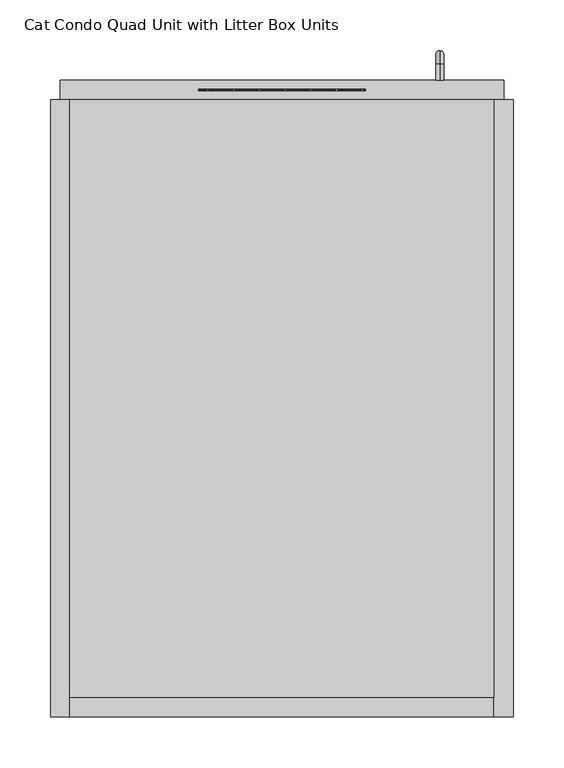
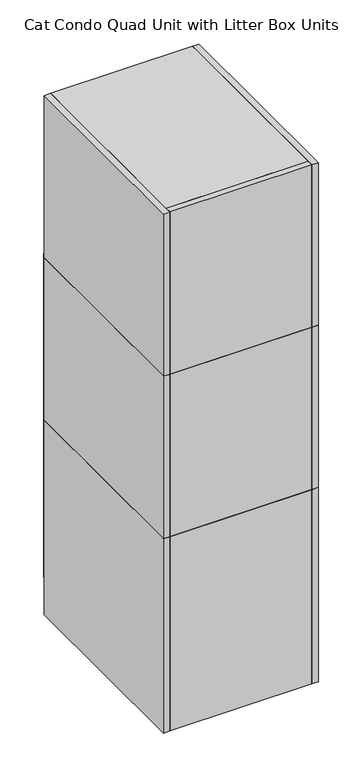
"""IFC4 building model written with IfcOpenShell, lengths in millimetres: proxy geometry, Cat Condo Quad Unit with Litter Box Units."""

from ifc_helpers import new_model, si_unit, point, frame, frame_2d, origin, origin_with_axes, place, context, project, spatial, polyline, circle_curve, ellipse_curve, trimmed, segment, composite_curve, outline, extrude, source, transform, mapped, element, save
from ifc_brep_helpers import plane_surface, cylinder_surface, revolved_surface, advanced_brep


def cat_condo_quad_unit_with_litter_box_units_7ac89161(model_context):
    return source(origin(), model_context, "Body", "SolidModel", [
        advanced_brep(
        [(994.1819084, 19.05, 551.6993154), (994.1819084, 19.05, 559.5506846), (994.1819084, 35.2117768, 559.5506846), (994.1819084, 35.2117768, 551.6993154), (994.1819084, 48.3756846, 546.3867768), (994.1819084, 40.5243154, 546.3867768), (994.1819084, 48.3756846, 463.2632232), (994.1819084, 40.5243154, 463.2632232), (994.1819084, 35.2117768, 450.0993154), (994.1819084, 35.2117768, 457.9506846), (994.1819084, 19.05, 457.9506846), (994.1819084, 19.05, 450.0993154)],
        [
            (0, 1, circle_curve(frame((994.1819084, 19.05, 555.625), z_axis=(0.0, -1.0, 0.0), x_axis=(0.0, 0.0, 1.0)), 3.9256846)),
            (1, 0, circle_curve(frame((994.1819084, 19.05, 555.625), z_axis=(0.0, -1.0, 0.0), x_axis=(0.0, 0.0, 1.0)), 3.9256846)),
            (1, 2),
            (2, 3, circle_curve(frame((994.1819084, 35.2117768, 555.625), z_axis=(0.0, -1.0, 0.0), x_axis=(0.0, 0.0, 1.0)), 3.9256846)),
            (3, 0),
            (3, 2, circle_curve(frame((994.1819084, 35.2117768, 555.625), z_axis=(0.0, -1.0, 0.0), x_axis=(0.0, 0.0, 1.0)), 3.9256846)),
            (4, 5, circle_curve(frame((994.1819084, 44.45, 546.3867768), z_axis=(0.0, 0.0, 1.0), x_axis=(0.0, 1.0000000000000002, 0.0)), 3.9256846)),
            (5, 3, circle_curve(frame((994.1819084, 35.2117768, 546.3867768), z_axis=(1.0, 0.0, 0.0), x_axis=(0.0, 0.0, 1.0)), 5.3125387)),
            (2, 4, circle_curve(frame((994.1819084, 35.2117768, 546.3867768), z_axis=(-1.0, 0.0, 0.0), x_axis=(0.0, 0.0, 1.0)), 13.1639078)),
            (5, 4, circle_curve(frame((994.1819084, 44.45, 546.3867768), z_axis=(0.0, 0.0, 1.0), x_axis=(0.0, 1.0000000000000002, 0.0)), 3.9256846)),
            (4, 6),
            (6, 7, circle_curve(frame((994.1819084, 44.45, 463.2632232), z_axis=(0.0, 0.0, 1.0), x_axis=(0.0, 1.0000000000000002, 0.0)), 3.9256846)),
            (7, 5),
            (7, 6, circle_curve(frame((994.1819084, 44.45, 463.2632232), z_axis=(0.0, 0.0, 1.0), x_axis=(0.0, 1.0000000000000002, 0.0)), 3.9256846)),
            (8, 9, circle_curve(frame((994.1819084, 35.2117768, 454.025), z_axis=(0.0, 1.0000000000000002, 0.0), x_axis=(0.0, 0.0, -1.0)), 3.9256846)),
            (9, 7, circle_curve(frame((994.1819084, 35.2117768, 463.2632232), z_axis=(1.0, 0.0, 0.0), x_axis=(0.0, 1.0000000000000002, 0.0)), 5.3125387)),
            (6, 8, circle_curve(frame((994.1819084, 35.2117768, 463.2632232), z_axis=(-1.0, 0.0, 0.0), x_axis=(0.0, 1.0000000000000002, 0.0)), 13.1639078)),
            (9, 8, circle_curve(frame((994.1819084, 35.2117768, 454.025), z_axis=(0.0, 1.0000000000000002, 0.0), x_axis=(0.0, 0.0, -1.0)), 3.9256846)),
            (10, 11, circle_curve(frame((994.1819084, 19.05, 454.025), z_axis=(0.0, -1.0, 0.0), x_axis=(0.0, 0.0, -1.0)), 3.9256846)),
            (11, 10, circle_curve(frame((994.1819084, 19.05, 454.025), z_axis=(0.0, -1.0, 0.0), x_axis=(0.0, 0.0, -1.0)), 3.9256846)),
            (8, 11),
            (10, 9),
        ],
        [
            plane_surface(frame((994.1819084, 19.05, 555.625), z_axis=(0.0, -1.0, 0.0), x_axis=(1.0, 0.0, 0.0))),
            cylinder_surface(frame((994.1819084, 19.05, 555.625), z_axis=(0.0, -1.0000000000000002, 0.0), x_axis=(0.0, 0.0, 1.0)), 3.9256846),
            revolved_surface(trimmed(ellipse_curve(frame((994.1819084, 35.2117768, 555.625), z_axis=(0.0, 1.0000000000000002, 0.0), x_axis=(0.0, 0.0, 1.0)), 3.9256846, 3.9256846), [point((994.1819084, 35.2117768, 551.6993154))], [point((994.1819084, 35.2117768, 559.5506846))], True, "CARTESIAN"), (994.1819084, 35.2117768, 546.3867768), (1.0000000000000002, 0.0, 0.0)),
            revolved_surface(trimmed(ellipse_curve(frame((994.1819084, 35.2117768, 555.625), z_axis=(0.0, 1.0000000000000002, 0.0), x_axis=(0.0, 0.0, 1.0)), 3.9256846, 3.9256846), [point((994.1819084, 35.2117768, 559.5506846))], [point((994.1819084, 35.2117768, 551.6993154))], True, "CARTESIAN"), (994.1819084, 35.2117768, 546.3867768), (1.0000000000000002, 0.0, 0.0)),
            cylinder_surface(frame((994.1819084, 44.45, 546.3867768), z_axis=(0.0, 0.0, 1.0), x_axis=(0.0, 1.0000000000000002, 0.0)), 3.9256846),
            revolved_surface(trimmed(ellipse_curve(frame((994.1819084, 44.45, 463.2632232), z_axis=(0.0, 0.0, -1.0), x_axis=(0.0, 1.0000000000000002, 0.0)), 3.9256846, 3.9256846), [point((994.1819084, 40.5243154, 463.2632232))], [point((994.1819084, 48.3756846, 463.2632232))], True, "CARTESIAN"), (994.1819084, 35.2117768, 463.2632232), (1.0000000000000002, 0.0, 0.0)),
            revolved_surface(trimmed(ellipse_curve(frame((994.1819084, 44.45, 463.2632232), z_axis=(0.0, 0.0, -1.0), x_axis=(0.0, 1.0000000000000002, 0.0)), 3.9256846, 3.9256846), [point((994.1819084, 48.3756846, 463.2632232))], [point((994.1819084, 40.5243154, 463.2632232))], True, "CARTESIAN"), (994.1819084, 35.2117768, 463.2632232), (1.0000000000000002, 0.0, 0.0)),
            plane_surface(frame((994.1819084, 19.05, 454.025), z_axis=(0.0, -1.0, 0.0), x_axis=(1.0, 0.0, 0.0))),
            cylinder_surface(frame((994.1819084, 35.2117768, 454.025), z_axis=(0.0, 1.0000000000000002, 0.0), x_axis=(0.0, 0.0, -1.0)), 3.9256846),
        ],
        [
            (0, [[1, 2]]),
            (1, [[3, 4, 5, -2]]),
            (1, [[-5, 6, -3, -1]]),
            (2, [[7, 8, -4, 9]]),
            (3, [[10, -9, -6, -8]]),
            (4, [[11, 12, 13, -7]]),
            (4, [[-13, 14, -11, -10]]),
            (5, [[15, 16, -12, 17]]),
            (6, [[18, -17, -14, -16]]),
            (7, [[19, 20]]),
            (8, [[21, -19, 22, -15]]),
            (8, [[-22, -20, -21, -18]]),
        ],
    ),
        extrude(outline(polyline([(1047.75, -590.55), (628.65, -590.55), (628.65, 0.0), (1047.75, 0.0), (1047.75, -590.55)])), frame((0.0, 0.0, 587.375), z_axis=(0.0, 0.0, 1.0), x_axis=(1.0, 0.0, 0.0)), (0.0, 0.0, 1.0), 19.05),
        extrude(outline(polyline([(1047.75, 0.0), (1047.75, -590.55), (628.65, -590.55), (628.65, 0.0), (1047.75, 0.0)])), frame((0.0, 0.0, 101.6), z_axis=(0.0, 0.0, 1.0), x_axis=(1.0, 0.0, 0.0)), (0.0, 0.0, 1.0), 19.05),
        extrude(outline(polyline([(1047.75, -19.05), (628.65, -19.05), (628.65, 0.0), (1047.75, 0.0), (1047.75, -19.05)])), origin_with_axes(), (0.0, 0.0, 1.0), 101.6),
        extrude(outline(polyline([(1047.75, -609.6), (1047.75, 0.0), (1066.8, 0.0), (1066.8, -609.6), (1047.75, -609.6)])), origin_with_axes(), (0.0, 0.0, 1.0), 606.425),
        extrude(outline(polyline([(1047.75, -609.6), (628.65, -609.6), (628.65, -590.55), (1047.75, -590.55), (1047.75, -609.6)])), origin_with_axes(), (0.0, 0.0, 1.0), 606.425),
        extrude(outline(polyline([(628.65, -609.6), (609.6, -609.6), (609.6, 0.0), (628.65, 0.0), (628.65, -609.6)])), origin_with_axes(), (0.0, 0.0, 1.0), 606.425),
        extrude(outline(composite_curve([segment(trimmed(circle_curve(frame_2d((9.6602248, 423.8625)), 0.79375), [point((9.6602248, 424.65625))], [point((9.6602248, 423.06875))], False, "CARTESIAN"), True, "CONTINUOUS"), segment(trimmed(circle_curve(frame_2d((9.6602248, 423.8625)), 0.79375), [point((9.6602248, 423.06875))], [point((9.6602248, 424.65625))], False, "CARTESIAN"), True, "CONTINUOUS")], self_intersect=False)), frame((755.65, 0.0, 0.0), z_axis=(1.0, 0.0, 0.0), x_axis=(0.0, 1.0, 0.0)), (0.0, 0.0, 1.0), 165.1),
        extrude(outline(composite_curve([segment(trimmed(circle_curve(frame_2d((9.6602248, 322.2625)), 0.79375), [point((9.6602248, 323.05625))], [point((9.6602248, 321.46875))], False, "CARTESIAN"), True, "CONTINUOUS"), segment(trimmed(circle_curve(frame_2d((9.6602248, 322.2625)), 0.79375), [point((9.6602248, 321.46875))], [point((9.6602248, 323.05625))], False, "CARTESIAN"), True, "CONTINUOUS")], self_intersect=False)), frame((755.65, 0.0, 0.0), z_axis=(1.0, 0.0, 0.0), x_axis=(0.0, 1.0, 0.0)), (0.0, 0.0, 1.0), 165.1),
        extrude(outline(composite_curve([segment(trimmed(circle_curve(frame_2d((917.4919665, 9.6602248)), 0.79375), [point((916.6982165, 9.6602248))], [point((918.2857165, 9.6602248))], False, "CARTESIAN"), True, "CONTINUOUS"), segment(trimmed(circle_curve(frame_2d((917.4919665, 9.6602248)), 0.79375), [point((918.2857165, 9.6602248))], [point((916.6982165, 9.6602248))], False, "CARTESIAN"), True, "CONTINUOUS")], self_intersect=False)), frame((0.0, 0.0, 231.775), z_axis=(0.0, 0.0, 1.0), x_axis=(1.0, 0.0, 0.0)), (0.0, 0.0, 1.0), 298.45),
        extrude(outline(composite_curve([segment(trimmed(circle_curve(frame_2d((892.0919665, 9.6602248)), 0.79375), [point((891.2982165, 9.6602248))], [point((892.8857165, 9.6602248))], False, "CARTESIAN"), True, "CONTINUOUS"), segment(trimmed(circle_curve(frame_2d((892.0919665, 9.6602248)), 0.79375), [point((892.8857165, 9.6602248))], [point((891.2982165, 9.6602248))], False, "CARTESIAN"), True, "CONTINUOUS")], self_intersect=False)), frame((0.0, 0.0, 231.775), z_axis=(0.0, 0.0, 1.0), x_axis=(1.0, 0.0, 0.0)), (0.0, 0.0, 1.0), 298.45),
        extrude(outline(composite_curve([segment(trimmed(circle_curve(frame_2d((866.6919665, 9.6602248)), 0.79375), [point((865.8982165, 9.6602248))], [point((867.4857165, 9.6602248))], False, "CARTESIAN"), True, "CONTINUOUS"), segment(trimmed(circle_curve(frame_2d((866.6919665, 9.6602248)), 0.79375), [point((867.4857165, 9.6602248))], [point((865.8982165, 9.6602248))], False, "CARTESIAN"), True, "CONTINUOUS")], self_intersect=False)), frame((0.0, 0.0, 231.775), z_axis=(0.0, 0.0, 1.0), x_axis=(1.0, 0.0, 0.0)), (0.0, 0.0, 1.0), 298.45),
        extrude(outline(composite_curve([segment(trimmed(circle_curve(frame_2d((841.2919665, 9.6602248)), 0.79375), [point((840.4982165, 9.6602248))], [point((842.0857165, 9.6602248))], False, "CARTESIAN"), True, "CONTINUOUS"), segment(trimmed(circle_curve(frame_2d((841.2919665, 9.6602248)), 0.79375), [point((842.0857165, 9.6602248))], [point((840.4982165, 9.6602248))], False, "CARTESIAN"), True, "CONTINUOUS")], self_intersect=False)), frame((0.0, 0.0, 231.775), z_axis=(0.0, 0.0, 1.0), x_axis=(1.0, 0.0, 0.0)), (0.0, 0.0, 1.0), 298.45),
        extrude(outline(composite_curve([segment(trimmed(circle_curve(frame_2d((815.8919665, 9.6602248)), 0.79375), [point((815.0982165, 9.6602248))], [point((816.6857165, 9.6602248))], False, "CARTESIAN"), True, "CONTINUOUS"), segment(trimmed(circle_curve(frame_2d((815.8919665, 9.6602248)), 0.79375), [point((816.6857165, 9.6602248))], [point((815.0982165, 9.6602248))], False, "CARTESIAN"), True, "CONTINUOUS")], self_intersect=False)), frame((0.0, 0.0, 231.775), z_axis=(0.0, 0.0, 1.0), x_axis=(1.0, 0.0, 0.0)), (0.0, 0.0, 1.0), 298.45),
        extrude(outline(composite_curve([segment(trimmed(circle_curve(frame_2d((790.4919665, 9.6602248)), 0.79375), [point((789.6982165, 9.6602248))], [point((791.2857165, 9.6602248))], False, "CARTESIAN"), True, "CONTINUOUS"), segment(trimmed(circle_curve(frame_2d((790.4919665, 9.6602248)), 0.79375), [point((791.2857165, 9.6602248))], [point((789.6982165, 9.6602248))], False, "CARTESIAN"), True, "CONTINUOUS")], self_intersect=False)), frame((0.0, 0.0, 231.775), z_axis=(0.0, 0.0, 1.0), x_axis=(1.0, 0.0, 0.0)), (0.0, 0.0, 1.0), 298.45),
        extrude(outline(composite_curve([segment(trimmed(circle_curve(frame_2d((765.0919665, 9.6602248)), 0.79375), [point((764.2982165, 9.6602248))], [point((765.8857165, 9.6602248))], False, "CARTESIAN"), True, "CONTINUOUS"), segment(trimmed(circle_curve(frame_2d((765.0919665, 9.6602248)), 0.79375), [point((765.8857165, 9.6602248))], [point((764.2982165, 9.6602248))], False, "CARTESIAN"), True, "CONTINUOUS")], self_intersect=False)), frame((0.0, 0.0, 231.775), z_axis=(0.0, 0.0, 1.0), x_axis=(1.0, 0.0, 0.0)), (0.0, 0.0, 1.0), 298.45),
        extrude(outline(composite_curve([segment(trimmed(circle_curve(frame_2d((892.0919665, 9.6602248)), 0.79375), [point((891.2982165, 9.6602248))], [point((892.8857165, 9.6602248))], False, "CARTESIAN"), True, "CONTINUOUS"), segment(trimmed(circle_curve(frame_2d((892.0919665, 9.6602248)), 0.79375), [point((892.8857165, 9.6602248))], [point((891.2982165, 9.6602248))], False, "CARTESIAN"), True, "CONTINUOUS")], self_intersect=False)), frame((0.0, 0.0, 231.775), z_axis=(0.0, 0.0, 1.0), x_axis=(1.0, 0.0, 0.0)), (0.0, 0.0, 1.0), 298.45),
        extrude(outline(composite_curve([segment(trimmed(circle_curve(frame_2d((866.6919665, 9.6602248)), 0.79375), [point((865.8982165, 9.6602248))], [point((867.4857165, 9.6602248))], False, "CARTESIAN"), True, "CONTINUOUS"), segment(trimmed(circle_curve(frame_2d((866.6919665, 9.6602248)), 0.79375), [point((867.4857165, 9.6602248))], [point((865.8982165, 9.6602248))], False, "CARTESIAN"), True, "CONTINUOUS")], self_intersect=False)), frame((0.0, 0.0, 231.775), z_axis=(0.0, 0.0, 1.0), x_axis=(1.0, 0.0, 0.0)), (0.0, 0.0, 1.0), 298.45),
        extrude(outline(composite_curve([segment(trimmed(circle_curve(frame_2d((841.2919665, 9.6602248)), 0.79375), [point((840.4982165, 9.6602248))], [point((842.0857165, 9.6602248))], False, "CARTESIAN"), True, "CONTINUOUS"), segment(trimmed(circle_curve(frame_2d((841.2919665, 9.6602248)), 0.79375), [point((842.0857165, 9.6602248))], [point((840.4982165, 9.6602248))], False, "CARTESIAN"), True, "CONTINUOUS")], self_intersect=False)), frame((0.0, 0.0, 231.775), z_axis=(0.0, 0.0, 1.0), x_axis=(1.0, 0.0, 0.0)), (0.0, 0.0, 1.0), 298.45),
        extrude(outline(composite_curve([segment(trimmed(circle_curve(frame_2d((815.8919665, 9.6602248)), 0.79375), [point((815.0982165, 9.6602248))], [point((816.6857165, 9.6602248))], False, "CARTESIAN"), True, "CONTINUOUS"), segment(trimmed(circle_curve(frame_2d((815.8919665, 9.6602248)), 0.79375), [point((816.6857165, 9.6602248))], [point((815.0982165, 9.6602248))], False, "CARTESIAN"), True, "CONTINUOUS")], self_intersect=False)), frame((0.0, 0.0, 231.775), z_axis=(0.0, 0.0, 1.0), x_axis=(1.0, 0.0, 0.0)), (0.0, 0.0, 1.0), 298.45),
        extrude(outline(composite_curve([segment(trimmed(circle_curve(frame_2d((790.4919665, 9.6602248)), 0.79375), [point((789.6982165, 9.6602248))], [point((791.2857165, 9.6602248))], False, "CARTESIAN"), True, "CONTINUOUS"), segment(trimmed(circle_curve(frame_2d((790.4919665, 9.6602248)), 0.79375), [point((791.2857165, 9.6602248))], [point((789.6982165, 9.6602248))], False, "CARTESIAN"), True, "CONTINUOUS")], self_intersect=False)), frame((0.0, 0.0, 231.775), z_axis=(0.0, 0.0, 1.0), x_axis=(1.0, 0.0, 0.0)), (0.0, 0.0, 1.0), 298.45),
        extrude(outline(composite_curve([segment(trimmed(circle_curve(frame_2d((765.0919665, 9.6602248)), 0.79375), [point((764.2982165, 9.6602248))], [point((765.8857165, 9.6602248))], False, "CARTESIAN"), True, "CONTINUOUS"), segment(trimmed(circle_curve(frame_2d((765.0919665, 9.6602248)), 0.79375), [point((765.8857165, 9.6602248))], [point((764.2982165, 9.6602248))], False, "CARTESIAN"), True, "CONTINUOUS")], self_intersect=False)), frame((0.0, 0.0, 231.775), z_axis=(0.0, 0.0, 1.0), x_axis=(1.0, 0.0, 0.0)), (0.0, 0.0, 1.0), 298.45),
        extrude(outline(polyline([(606.425, 619.125), (101.6, 619.125), (101.6, 1057.275), (606.425, 1057.275), (606.425, 619.125)]), holes=[composite_curve([segment(trimmed(circle_curve(frame_2d((501.65, 895.35)), 25.4), [point((527.05, 895.35))], [point((501.65, 920.75))], True, "CARTESIAN"), True, "CONTINUOUS"), segment(polyline([(501.65, 920.75), (257.175, 920.75)]), True, "CONTINUOUS"), segment(trimmed(circle_curve(frame_2d((257.175, 895.35)), 25.4), [point((257.175, 920.75))], [point((231.775, 895.35))], True, "CARTESIAN"), True, "CONTINUOUS"), segment(polyline([(231.775, 895.35), (231.775, 781.05)]), True, "CONTINUOUS"), segment(trimmed(circle_curve(frame_2d((257.175, 781.05)), 25.4), [point((231.775, 781.05))], [point((257.175, 755.65))], True, "CARTESIAN"), True, "CONTINUOUS"), segment(polyline([(257.175, 755.65), (501.65, 755.65)]), True, "CONTINUOUS"), segment(trimmed(circle_curve(frame_2d((501.65, 781.05)), 25.4), [point((501.65, 755.65))], [point((527.05, 781.05))], True, "CARTESIAN"), True, "CONTINUOUS"), segment(polyline([(527.05, 781.05), (527.05, 895.35)]), True, "CONTINUOUS")], self_intersect=False)]), frame((0.0, 0.0, 0.0), z_axis=(0.0, 1.0, 0.0), x_axis=(0.0, 0.0, 1.0)), (0.0, 0.0, 1.0), 19.05),
        advanced_brep(
        [(994.1819084, 19.05, 1056.5243154), (994.1819084, 19.05, 1064.3756846), (994.1819084, 35.2117768, 1064.3756846), (994.1819084, 35.2117768, 1056.5243154), (994.1819084, 48.3756846, 1051.2117768), (994.1819084, 40.5243154, 1051.2117768), (994.1819084, 48.3756846, 968.0882232), (994.1819084, 40.5243154, 968.0882232), (994.1819084, 35.2117768, 954.9243154), (994.1819084, 35.2117768, 962.7756846), (994.1819084, 19.05, 962.7756846), (994.1819084, 19.05, 954.9243154)],
        [
            (0, 1, circle_curve(frame((994.1819084, 19.05, 1060.45), z_axis=(0.0, -1.0, 0.0), x_axis=(0.0, 0.0, 1.0)), 3.9256846)),
            (1, 0, circle_curve(frame((994.1819084, 19.05, 1060.45), z_axis=(0.0, -1.0, 0.0), x_axis=(0.0, 0.0, 1.0)), 3.9256846)),
            (1, 2),
            (2, 3, circle_curve(frame((994.1819084, 35.2117768, 1060.45), z_axis=(0.0, -1.0, 0.0), x_axis=(0.0, 0.0, 1.0)), 3.9256846)),
            (3, 0),
            (3, 2, circle_curve(frame((994.1819084, 35.2117768, 1060.45), z_axis=(0.0, -1.0, 0.0), x_axis=(0.0, 0.0, 1.0)), 3.9256846)),
            (4, 5, circle_curve(frame((994.1819084, 44.45, 1051.2117768), z_axis=(0.0, 0.0, 1.0), x_axis=(0.0, 1.0000000000000002, 0.0)), 3.9256846)),
            (5, 3, circle_curve(frame((994.1819084, 35.2117768, 1051.2117768), z_axis=(1.0, 0.0, 0.0), x_axis=(0.0, 0.0, 1.0)), 5.3125387)),
            (2, 4, circle_curve(frame((994.1819084, 35.2117768, 1051.2117768), z_axis=(-1.0, 0.0, 0.0), x_axis=(0.0, 0.0, 1.0)), 13.1639078)),
            (5, 4, circle_curve(frame((994.1819084, 44.45, 1051.2117768), z_axis=(0.0, 0.0, 1.0), x_axis=(0.0, 1.0000000000000002, 0.0)), 3.9256846)),
            (4, 6),
            (6, 7, circle_curve(frame((994.1819084, 44.45, 968.0882232), z_axis=(0.0, 0.0, 1.0), x_axis=(0.0, 1.0000000000000002, 0.0)), 3.9256846)),
            (7, 5),
            (7, 6, circle_curve(frame((994.1819084, 44.45, 968.0882232), z_axis=(0.0, 0.0, 1.0), x_axis=(0.0, 1.0000000000000002, 0.0)), 3.9256846)),
            (8, 9, circle_curve(frame((994.1819084, 35.2117768, 958.85), z_axis=(0.0, 1.0000000000000002, 0.0), x_axis=(0.0, 0.0, -1.0)), 3.9256846)),
            (9, 7, circle_curve(frame((994.1819084, 35.2117768, 968.0882232), z_axis=(1.0, 0.0, 0.0), x_axis=(0.0, 1.0000000000000002, 0.0)), 5.3125387)),
            (6, 8, circle_curve(frame((994.1819084, 35.2117768, 968.0882232), z_axis=(-1.0, 0.0, 0.0), x_axis=(0.0, 1.0000000000000002, 0.0)), 13.1639078)),
            (9, 8, circle_curve(frame((994.1819084, 35.2117768, 958.85), z_axis=(0.0, 1.0000000000000002, 0.0), x_axis=(0.0, 0.0, -1.0)), 3.9256846)),
            (10, 11, circle_curve(frame((994.1819084, 19.05, 958.85), z_axis=(0.0, -1.0, 0.0), x_axis=(0.0, 0.0, -1.0)), 3.9256846)),
            (11, 10, circle_curve(frame((994.1819084, 19.05, 958.85), z_axis=(0.0, -1.0, 0.0), x_axis=(0.0, 0.0, -1.0)), 3.9256846)),
            (8, 11),
            (10, 9),
        ],
        [
            plane_surface(frame((994.1819084, 19.05, 1060.45), z_axis=(0.0, -1.0, 0.0), x_axis=(1.0, 0.0, 0.0))),
            cylinder_surface(frame((994.1819084, 19.05, 1060.45), z_axis=(0.0, -1.0000000000000002, 0.0), x_axis=(0.0, 0.0, 1.0)), 3.9256846),
            revolved_surface(trimmed(ellipse_curve(frame((994.1819084, 35.2117768, 1060.45), z_axis=(0.0, 1.0000000000000002, 0.0), x_axis=(0.0, 0.0, 1.0)), 3.9256846, 3.9256846), [point((994.1819084, 35.2117768, 1056.5243154))], [point((994.1819084, 35.2117768, 1064.3756846))], True, "CARTESIAN"), (994.1819084, 35.2117768, 1051.2117768), (1.0000000000000002, 0.0, 0.0)),
            revolved_surface(trimmed(ellipse_curve(frame((994.1819084, 35.2117768, 1060.45), z_axis=(0.0, 1.0000000000000002, 0.0), x_axis=(0.0, 0.0, 1.0)), 3.9256846, 3.9256846), [point((994.1819084, 35.2117768, 1064.3756846))], [point((994.1819084, 35.2117768, 1056.5243154))], True, "CARTESIAN"), (994.1819084, 35.2117768, 1051.2117768), (1.0000000000000002, 0.0, 0.0)),
            cylinder_surface(frame((994.1819084, 44.45, 1051.2117768), z_axis=(0.0, 0.0, 1.0), x_axis=(0.0, 1.0000000000000002, 0.0)), 3.9256846),
            revolved_surface(trimmed(ellipse_curve(frame((994.1819084, 44.45, 968.0882232), z_axis=(0.0, 0.0, -1.0), x_axis=(0.0, 1.0000000000000002, 0.0)), 3.9256846, 3.9256846), [point((994.1819084, 40.5243154, 968.0882232))], [point((994.1819084, 48.3756846, 968.0882232))], True, "CARTESIAN"), (994.1819084, 35.2117768, 968.0882232), (1.0000000000000002, 0.0, 0.0)),
            revolved_surface(trimmed(ellipse_curve(frame((994.1819084, 44.45, 968.0882232), z_axis=(0.0, 0.0, -1.0), x_axis=(0.0, 1.0000000000000002, 0.0)), 3.9256846, 3.9256846), [point((994.1819084, 48.3756846, 968.0882232))], [point((994.1819084, 40.5243154, 968.0882232))], True, "CARTESIAN"), (994.1819084, 35.2117768, 968.0882232), (1.0000000000000002, 0.0, 0.0)),
            plane_surface(frame((994.1819084, 19.05, 958.85), z_axis=(0.0, -1.0, 0.0), x_axis=(1.0, 0.0, 0.0))),
            cylinder_surface(frame((994.1819084, 35.2117768, 958.85), z_axis=(0.0, 1.0000000000000002, 0.0), x_axis=(0.0, 0.0, -1.0)), 3.9256846),
        ],
        [
            (0, [[1, 2]]),
            (1, [[3, 4, 5, -2]]),
            (1, [[-5, 6, -3, -1]]),
            (2, [[7, 8, -4, 9]]),
            (3, [[10, -9, -6, -8]]),
            (4, [[11, 12, 13, -7]]),
            (4, [[-13, 14, -11, -10]]),
            (5, [[15, 16, -12, 17]]),
            (6, [[18, -17, -14, -16]]),
            (7, [[19, 20]]),
            (8, [[21, -19, 22, -15]]),
            (8, [[-22, -20, -21, -18]]),
        ],
    ),
        extrude(outline(polyline([(1047.75, -590.55), (628.65, -590.55), (628.65, 0.0), (1047.75, 0.0), (1047.75, -590.55)])), frame((0.0, 0.0, 1093.7875), z_axis=(0.0, 0.0, 1.0), x_axis=(1.0, 0.0, 0.0)), (0.0, 0.0, 1.0), 19.05),
        extrude(outline(polyline([(1047.75, 0.0), (1047.75, -590.55), (628.65, -590.55), (628.65, 0.0), (1047.75, 0.0)])), frame((0.0, 0.0, 606.425), z_axis=(0.0, 0.0, 1.0), x_axis=(1.0, 0.0, 0.0)), (0.0, 0.0, 1.0), 19.05),
        extrude(outline(polyline([(1047.75, -609.6), (1047.75, 0.0), (1066.8, 0.0), (1066.8, -609.6), (1047.75, -609.6)])), frame((0.0, 0.0, 606.425), z_axis=(0.0, 0.0, 1.0), x_axis=(1.0, 0.0, 0.0)), (0.0, 0.0, 1.0), 506.4125),
        extrude(outline(polyline([(1047.75, -609.6), (628.65, -609.6), (628.65, -590.55), (1047.75, -590.55), (1047.75, -609.6)])), frame((0.0, 0.0, 606.425), z_axis=(0.0, 0.0, 1.0), x_axis=(1.0, 0.0, 0.0)), (0.0, 0.0, 1.0), 506.4125),
        extrude(outline(polyline([(628.65, -609.6), (609.6, -609.6), (609.6, 0.0), (628.65, 0.0), (628.65, -609.6)])), frame((0.0, 0.0, 606.425), z_axis=(0.0, 0.0, 1.0), x_axis=(1.0, 0.0, 0.0)), (0.0, 0.0, 1.0), 506.4125),
        extrude(outline(composite_curve([segment(trimmed(circle_curve(frame_2d((9.6602248, 930.275)), 0.79375), [point((9.6602248, 931.06875))], [point((9.6602248, 929.48125))], False, "CARTESIAN"), True, "CONTINUOUS"), segment(trimmed(circle_curve(frame_2d((9.6602248, 930.275)), 0.79375), [point((9.6602248, 929.48125))], [point((9.6602248, 931.06875))], False, "CARTESIAN"), True, "CONTINUOUS")], self_intersect=False)), frame((755.65, 0.0, 0.0), z_axis=(1.0, 0.0, 0.0), x_axis=(0.0, 1.0, 0.0)), (0.0, 0.0, 1.0), 165.1),
        extrude(outline(composite_curve([segment(trimmed(circle_curve(frame_2d((9.6602248, 827.0875)), 0.79375), [point((9.6602248, 827.88125))], [point((9.6602248, 826.29375))], False, "CARTESIAN"), True, "CONTINUOUS"), segment(trimmed(circle_curve(frame_2d((9.6602248, 827.0875)), 0.79375), [point((9.6602248, 826.29375))], [point((9.6602248, 827.88125))], False, "CARTESIAN"), True, "CONTINUOUS")], self_intersect=False)), frame((755.65, 0.0, 0.0), z_axis=(1.0, 0.0, 0.0), x_axis=(0.0, 1.0, 0.0)), (0.0, 0.0, 1.0), 165.1),
        extrude(outline(composite_curve([segment(trimmed(circle_curve(frame_2d((917.4919665, 9.6602248)), 0.79375), [point((916.6982165, 9.6602248))], [point((918.2857165, 9.6602248))], False, "CARTESIAN"), True, "CONTINUOUS"), segment(trimmed(circle_curve(frame_2d((917.4919665, 9.6602248)), 0.79375), [point((918.2857165, 9.6602248))], [point((916.6982165, 9.6602248))], False, "CARTESIAN"), True, "CONTINUOUS")], self_intersect=False)), frame((0.0, 0.0, 736.6), z_axis=(0.0, 0.0, 1.0), x_axis=(1.0, 0.0, 0.0)), (0.0, 0.0, 1.0), 298.45),
        extrude(outline(composite_curve([segment(trimmed(circle_curve(frame_2d((892.0919665, 9.6602248)), 0.79375), [point((891.2982165, 9.6602248))], [point((892.8857165, 9.6602248))], False, "CARTESIAN"), True, "CONTINUOUS"), segment(trimmed(circle_curve(frame_2d((892.0919665, 9.6602248)), 0.79375), [point((892.8857165, 9.6602248))], [point((891.2982165, 9.6602248))], False, "CARTESIAN"), True, "CONTINUOUS")], self_intersect=False)), frame((0.0, 0.0, 736.6), z_axis=(0.0, 0.0, 1.0), x_axis=(1.0, 0.0, 0.0)), (0.0, 0.0, 1.0), 298.45),
        extrude(outline(composite_curve([segment(trimmed(circle_curve(frame_2d((866.6919665, 9.6602248)), 0.79375), [point((865.8982165, 9.6602248))], [point((867.4857165, 9.6602248))], False, "CARTESIAN"), True, "CONTINUOUS"), segment(trimmed(circle_curve(frame_2d((866.6919665, 9.6602248)), 0.79375), [point((867.4857165, 9.6602248))], [point((865.8982165, 9.6602248))], False, "CARTESIAN"), True, "CONTINUOUS")], self_intersect=False)), frame((0.0, 0.0, 736.6), z_axis=(0.0, 0.0, 1.0), x_axis=(1.0, 0.0, 0.0)), (0.0, 0.0, 1.0), 298.45),
        extrude(outline(composite_curve([segment(trimmed(circle_curve(frame_2d((841.2919665, 9.6602248)), 0.79375), [point((840.4982165, 9.6602248))], [point((842.0857165, 9.6602248))], False, "CARTESIAN"), True, "CONTINUOUS"), segment(trimmed(circle_curve(frame_2d((841.2919665, 9.6602248)), 0.79375), [point((842.0857165, 9.6602248))], [point((840.4982165, 9.6602248))], False, "CARTESIAN"), True, "CONTINUOUS")], self_intersect=False)), frame((0.0, 0.0, 736.6), z_axis=(0.0, 0.0, 1.0), x_axis=(1.0, 0.0, 0.0)), (0.0, 0.0, 1.0), 298.45),
        extrude(outline(composite_curve([segment(trimmed(circle_curve(frame_2d((815.8919665, 9.6602248)), 0.79375), [point((815.0982165, 9.6602248))], [point((816.6857165, 9.6602248))], False, "CARTESIAN"), True, "CONTINUOUS"), segment(trimmed(circle_curve(frame_2d((815.8919665, 9.6602248)), 0.79375), [point((816.6857165, 9.6602248))], [point((815.0982165, 9.6602248))], False, "CARTESIAN"), True, "CONTINUOUS")], self_intersect=False)), frame((0.0, 0.0, 736.6), z_axis=(0.0, 0.0, 1.0), x_axis=(1.0, 0.0, 0.0)), (0.0, 0.0, 1.0), 298.45),
        extrude(outline(composite_curve([segment(trimmed(circle_curve(frame_2d((790.4919665, 9.6602248)), 0.79375), [point((789.6982165, 9.6602248))], [point((791.2857165, 9.6602248))], False, "CARTESIAN"), True, "CONTINUOUS"), segment(trimmed(circle_curve(frame_2d((790.4919665, 9.6602248)), 0.79375), [point((791.2857165, 9.6602248))], [point((789.6982165, 9.6602248))], False, "CARTESIAN"), True, "CONTINUOUS")], self_intersect=False)), frame((0.0, 0.0, 736.6), z_axis=(0.0, 0.0, 1.0), x_axis=(1.0, 0.0, 0.0)), (0.0, 0.0, 1.0), 298.45),
        extrude(outline(composite_curve([segment(trimmed(circle_curve(frame_2d((765.0919665, 9.6602248)), 0.79375), [point((764.2982165, 9.6602248))], [point((765.8857165, 9.6602248))], False, "CARTESIAN"), True, "CONTINUOUS"), segment(trimmed(circle_curve(frame_2d((765.0919665, 9.6602248)), 0.79375), [point((765.8857165, 9.6602248))], [point((764.2982165, 9.6602248))], False, "CARTESIAN"), True, "CONTINUOUS")], self_intersect=False)), frame((0.0, 0.0, 736.6), z_axis=(0.0, 0.0, 1.0), x_axis=(1.0, 0.0, 0.0)), (0.0, 0.0, 1.0), 298.45),
        extrude(outline(composite_curve([segment(trimmed(circle_curve(frame_2d((892.0919665, 9.6602248)), 0.79375), [point((891.2982165, 9.6602248))], [point((892.8857165, 9.6602248))], False, "CARTESIAN"), True, "CONTINUOUS"), segment(trimmed(circle_curve(frame_2d((892.0919665, 9.6602248)), 0.79375), [point((892.8857165, 9.6602248))], [point((891.2982165, 9.6602248))], False, "CARTESIAN"), True, "CONTINUOUS")], self_intersect=False)), frame((0.0, 0.0, 736.6), z_axis=(0.0, 0.0, 1.0), x_axis=(1.0, 0.0, 0.0)), (0.0, 0.0, 1.0), 298.45),
        extrude(outline(composite_curve([segment(trimmed(circle_curve(frame_2d((866.6919665, 9.6602248)), 0.79375), [point((865.8982165, 9.6602248))], [point((867.4857165, 9.6602248))], False, "CARTESIAN"), True, "CONTINUOUS"), segment(trimmed(circle_curve(frame_2d((866.6919665, 9.6602248)), 0.79375), [point((867.4857165, 9.6602248))], [point((865.8982165, 9.6602248))], False, "CARTESIAN"), True, "CONTINUOUS")], self_intersect=False)), frame((0.0, 0.0, 736.6), z_axis=(0.0, 0.0, 1.0), x_axis=(1.0, 0.0, 0.0)), (0.0, 0.0, 1.0), 298.45),
        extrude(outline(composite_curve([segment(trimmed(circle_curve(frame_2d((841.2919665, 9.6602248)), 0.79375), [point((840.4982165, 9.6602248))], [point((842.0857165, 9.6602248))], False, "CARTESIAN"), True, "CONTINUOUS"), segment(trimmed(circle_curve(frame_2d((841.2919665, 9.6602248)), 0.79375), [point((842.0857165, 9.6602248))], [point((840.4982165, 9.6602248))], False, "CARTESIAN"), True, "CONTINUOUS")], self_intersect=False)), frame((0.0, 0.0, 736.6), z_axis=(0.0, 0.0, 1.0), x_axis=(1.0, 0.0, 0.0)), (0.0, 0.0, 1.0), 298.45),
        extrude(outline(composite_curve([segment(trimmed(circle_curve(frame_2d((815.8919665, 9.6602248)), 0.79375), [point((815.0982165, 9.6602248))], [point((816.6857165, 9.6602248))], False, "CARTESIAN"), True, "CONTINUOUS"), segment(trimmed(circle_curve(frame_2d((815.8919665, 9.6602248)), 0.79375), [point((816.6857165, 9.6602248))], [point((815.0982165, 9.6602248))], False, "CARTESIAN"), True, "CONTINUOUS")], self_intersect=False)), frame((0.0, 0.0, 736.6), z_axis=(0.0, 0.0, 1.0), x_axis=(1.0, 0.0, 0.0)), (0.0, 0.0, 1.0), 298.45),
        extrude(outline(composite_curve([segment(trimmed(circle_curve(frame_2d((790.4919665, 9.6602248)), 0.79375), [point((789.6982165, 9.6602248))], [point((791.2857165, 9.6602248))], False, "CARTESIAN"), True, "CONTINUOUS"), segment(trimmed(circle_curve(frame_2d((790.4919665, 9.6602248)), 0.79375), [point((791.2857165, 9.6602248))], [point((789.6982165, 9.6602248))], False, "CARTESIAN"), True, "CONTINUOUS")], self_intersect=False)), frame((0.0, 0.0, 736.6), z_axis=(0.0, 0.0, 1.0), x_axis=(1.0, 0.0, 0.0)), (0.0, 0.0, 1.0), 298.45),
        extrude(outline(composite_curve([segment(trimmed(circle_curve(frame_2d((765.0919665, 9.6602248)), 0.79375), [point((764.2982165, 9.6602248))], [point((765.8857165, 9.6602248))], False, "CARTESIAN"), True, "CONTINUOUS"), segment(trimmed(circle_curve(frame_2d((765.0919665, 9.6602248)), 0.79375), [point((765.8857165, 9.6602248))], [point((764.2982165, 9.6602248))], False, "CARTESIAN"), True, "CONTINUOUS")], self_intersect=False)), frame((0.0, 0.0, 736.6), z_axis=(0.0, 0.0, 1.0), x_axis=(1.0, 0.0, 0.0)), (0.0, 0.0, 1.0), 298.45),
        extrude(outline(polyline([(1112.8375, 619.125), (606.425, 619.125), (606.425, 1057.275), (1112.8375, 1057.275), (1112.8375, 619.125)]), holes=[composite_curve([segment(trimmed(circle_curve(frame_2d((1008.0625, 895.35)), 25.4), [point((1033.4625, 895.35))], [point((1008.0625, 920.75))], True, "CARTESIAN"), True, "CONTINUOUS"), segment(polyline([(1008.0625, 920.75), (762.0, 920.75)]), True, "CONTINUOUS"), segment(trimmed(circle_curve(frame_2d((762.0, 895.35)), 25.4), [point((762.0, 920.75))], [point((736.6, 895.35))], True, "CARTESIAN"), True, "CONTINUOUS"), segment(polyline([(736.6, 895.35), (736.6, 781.05)]), True, "CONTINUOUS"), segment(trimmed(circle_curve(frame_2d((762.0, 781.05)), 25.4), [point((736.6, 781.05))], [point((762.0, 755.65))], True, "CARTESIAN"), True, "CONTINUOUS"), segment(polyline([(762.0, 755.65), (1008.0625, 755.65)]), True, "CONTINUOUS"), segment(trimmed(circle_curve(frame_2d((1008.0625, 781.05)), 25.4), [point((1008.0625, 755.65))], [point((1033.4625, 781.05))], True, "CARTESIAN"), True, "CONTINUOUS"), segment(polyline([(1033.4625, 781.05), (1033.4625, 895.35)]), True, "CONTINUOUS")], self_intersect=False)]), frame((0.0, 0.0, 0.0), z_axis=(0.0, 1.0, 0.0), x_axis=(0.0, 0.0, 1.0)), (0.0, 0.0, 1.0), 19.05),
        advanced_brep(
        [(994.1819084, 19.05, 1254.9618154), (994.1819084, 19.05, 1262.8131846), (994.1819084, 35.2117768, 1262.8131846), (994.1819084, 35.2117768, 1254.9618154), (994.1819084, 48.3756846, 1249.6492768), (994.1819084, 40.5243154, 1249.6492768), (994.1819084, 48.3756846, 1166.5257232), (994.1819084, 40.5243154, 1166.5257232), (994.1819084, 35.2117768, 1153.3618154), (994.1819084, 35.2117768, 1161.2131846), (994.1819084, 19.05, 1161.2131846), (994.1819084, 19.05, 1153.3618154)],
        [
            (0, 1, circle_curve(frame((994.1819084, 19.05, 1258.8875), z_axis=(0.0, -1.0, 0.0), x_axis=(0.0, 0.0, 1.0)), 3.9256846)),
            (1, 0, circle_curve(frame((994.1819084, 19.05, 1258.8875), z_axis=(0.0, -1.0, 0.0), x_axis=(0.0, 0.0, 1.0)), 3.9256846)),
            (1, 2),
            (2, 3, circle_curve(frame((994.1819084, 35.2117768, 1258.8875), z_axis=(0.0, -1.0, 0.0), x_axis=(0.0, 0.0, 1.0)), 3.9256846)),
            (3, 0),
            (3, 2, circle_curve(frame((994.1819084, 35.2117768, 1258.8875), z_axis=(0.0, -1.0, 0.0), x_axis=(0.0, 0.0, 1.0)), 3.9256846)),
            (4, 5, circle_curve(frame((994.1819084, 44.45, 1249.6492768), z_axis=(0.0, 0.0, 1.0), x_axis=(0.0, 1.0000000000000002, 0.0)), 3.9256846)),
            (5, 3, circle_curve(frame((994.1819084, 35.2117768, 1249.6492768), z_axis=(1.0, 0.0, 0.0), x_axis=(0.0, 0.0, 1.0)), 5.3125387)),
            (2, 4, circle_curve(frame((994.1819084, 35.2117768, 1249.6492768), z_axis=(-1.0, 0.0, 0.0), x_axis=(0.0, 0.0, 1.0)), 13.1639078)),
            (5, 4, circle_curve(frame((994.1819084, 44.45, 1249.6492768), z_axis=(0.0, 0.0, 1.0), x_axis=(0.0, 1.0000000000000002, 0.0)), 3.9256846)),
            (4, 6),
            (6, 7, circle_curve(frame((994.1819084, 44.45, 1166.5257232), z_axis=(0.0, 0.0, 1.0), x_axis=(0.0, 1.0000000000000002, 0.0)), 3.9256846)),
            (7, 5),
            (7, 6, circle_curve(frame((994.1819084, 44.45, 1166.5257232), z_axis=(0.0, 0.0, 1.0), x_axis=(0.0, 1.0000000000000002, 0.0)), 3.9256846)),
            (8, 9, circle_curve(frame((994.1819084, 35.2117768, 1157.2875), z_axis=(0.0, 1.0000000000000002, 0.0), x_axis=(0.0, 0.0, -1.0)), 3.9256846)),
            (9, 7, circle_curve(frame((994.1819084, 35.2117768, 1166.5257232), z_axis=(1.0, 0.0, 0.0), x_axis=(0.0, 1.0000000000000002, 0.0)), 5.3125387)),
            (6, 8, circle_curve(frame((994.1819084, 35.2117768, 1166.5257232), z_axis=(-1.0, 0.0, 0.0), x_axis=(0.0, 1.0000000000000002, 0.0)), 13.1639078)),
            (9, 8, circle_curve(frame((994.1819084, 35.2117768, 1157.2875), z_axis=(0.0, 1.0000000000000002, 0.0), x_axis=(0.0, 0.0, -1.0)), 3.9256846)),
            (10, 11, circle_curve(frame((994.1819084, 19.05, 1157.2875), z_axis=(0.0, -1.0, 0.0), x_axis=(0.0, 0.0, -1.0)), 3.9256846)),
            (11, 10, circle_curve(frame((994.1819084, 19.05, 1157.2875), z_axis=(0.0, -1.0, 0.0), x_axis=(0.0, 0.0, -1.0)), 3.9256846)),
            (8, 11),
            (10, 9),
        ],
        [
            plane_surface(frame((994.1819084, 19.05, 1258.8875), z_axis=(0.0, -1.0, 0.0), x_axis=(1.0, 0.0, 0.0))),
            cylinder_surface(frame((994.1819084, 19.05, 1258.8875), z_axis=(0.0, -1.0000000000000002, 0.0), x_axis=(0.0, 0.0, 1.0)), 3.9256846),
            revolved_surface(trimmed(ellipse_curve(frame((994.1819084, 35.2117768, 1258.8875), z_axis=(0.0, 1.0000000000000002, 0.0), x_axis=(0.0, 0.0, 1.0)), 3.9256846, 3.9256846), [point((994.1819084, 35.2117768, 1254.9618154))], [point((994.1819084, 35.2117768, 1262.8131846))], True, "CARTESIAN"), (994.1819084, 35.2117768, 1249.6492768), (1.0000000000000002, 0.0, 0.0)),
            revolved_surface(trimmed(ellipse_curve(frame((994.1819084, 35.2117768, 1258.8875), z_axis=(0.0, 1.0000000000000002, 0.0), x_axis=(0.0, 0.0, 1.0)), 3.9256846, 3.9256846), [point((994.1819084, 35.2117768, 1262.8131846))], [point((994.1819084, 35.2117768, 1254.9618154))], True, "CARTESIAN"), (994.1819084, 35.2117768, 1249.6492768), (1.0000000000000002, 0.0, 0.0)),
            cylinder_surface(frame((994.1819084, 44.45, 1249.6492768), z_axis=(0.0, 0.0, 1.0), x_axis=(0.0, 1.0000000000000002, 0.0)), 3.9256846),
            revolved_surface(trimmed(ellipse_curve(frame((994.1819084, 44.45, 1166.5257232), z_axis=(0.0, 0.0, -1.0), x_axis=(0.0, 1.0000000000000002, 0.0)), 3.9256846, 3.9256846), [point((994.1819084, 40.5243154, 1166.5257232))], [point((994.1819084, 48.3756846, 1166.5257232))], True, "CARTESIAN"), (994.1819084, 35.2117768, 1166.5257232), (1.0000000000000002, 0.0, 0.0)),
            revolved_surface(trimmed(ellipse_curve(frame((994.1819084, 44.45, 1166.5257232), z_axis=(0.0, 0.0, -1.0), x_axis=(0.0, 1.0000000000000002, 0.0)), 3.9256846, 3.9256846), [point((994.1819084, 48.3756846, 1166.5257232))], [point((994.1819084, 40.5243154, 1166.5257232))], True, "CARTESIAN"), (994.1819084, 35.2117768, 1166.5257232), (1.0000000000000002, 0.0, 0.0)),
            plane_surface(frame((994.1819084, 19.05, 1157.2875), z_axis=(0.0, -1.0, 0.0), x_axis=(1.0, 0.0, 0.0))),
            cylinder_surface(frame((994.1819084, 35.2117768, 1157.2875), z_axis=(0.0, 1.0000000000000002, 0.0), x_axis=(0.0, 0.0, -1.0)), 3.9256846),
        ],
        [
            (0, [[1, 2]]),
            (1, [[3, 4, 5, -2]]),
            (1, [[-5, 6, -3, -1]]),
            (2, [[7, 8, -4, 9]]),
            (3, [[10, -9, -6, -8]]),
            (4, [[11, 12, 13, -7]]),
            (4, [[-13, 14, -11, -10]]),
            (5, [[15, 16, -12, 17]]),
            (6, [[18, -17, -14, -16]]),
            (7, [[19, 20]]),
            (8, [[21, -19, 22, -15]]),
            (8, [[-22, -20, -21, -18]]),
        ],
    ),
        extrude(outline(polyline([(1047.75, -590.55), (628.65, -590.55), (628.65, 0.0), (1047.75, 0.0), (1047.75, -590.55)])), frame((0.0, 0.0, 1600.2), z_axis=(0.0, 0.0, 1.0), x_axis=(1.0, 0.0, 0.0)), (0.0, 0.0, 1.0), 19.05),
        extrude(outline(polyline([(1047.75, 0.0), (1047.75, -590.55), (628.65, -590.55), (628.65, 0.0), (1047.75, 0.0)])), frame((0.0, 0.0, 1112.8375), z_axis=(0.0, 0.0, 1.0), x_axis=(1.0, 0.0, 0.0)), (0.0, 0.0, 1.0), 19.05),
        extrude(outline(polyline([(1047.75, -609.6), (1047.75, 0.0), (1066.8, 0.0), (1066.8, -609.6), (1047.75, -609.6)])), frame((0.0, 0.0, 1112.8375), z_axis=(0.0, 0.0, 1.0), x_axis=(1.0, 0.0, 0.0)), (0.0, 0.0, 1.0), 506.4125),
        extrude(outline(polyline([(1047.75, -609.6), (628.65, -609.6), (628.65, -590.55), (1047.75, -590.55), (1047.75, -609.6)])), frame((0.0, 0.0, 1112.8375), z_axis=(0.0, 0.0, 1.0), x_axis=(1.0, 0.0, 0.0)), (0.0, 0.0, 1.0), 506.4125),
        extrude(outline(polyline([(628.65, -609.6), (609.6, -609.6), (609.6, 0.0), (628.65, 0.0), (628.65, -609.6)])), frame((0.0, 0.0, 1112.8375), z_axis=(0.0, 0.0, 1.0), x_axis=(1.0, 0.0, 0.0)), (0.0, 0.0, 1.0), 506.4125),
        extrude(outline(composite_curve([segment(trimmed(circle_curve(frame_2d((9.6602248, 1436.6875)), 0.79375), [point((9.6602248, 1437.48125))], [point((9.6602248, 1435.89375))], False, "CARTESIAN"), True, "CONTINUOUS"), segment(trimmed(circle_curve(frame_2d((9.6602248, 1436.6875)), 0.79375), [point((9.6602248, 1435.89375))], [point((9.6602248, 1437.48125))], False, "CARTESIAN"), True, "CONTINUOUS")], self_intersect=False)), frame((755.65, 0.0, 0.0), z_axis=(1.0, 0.0, 0.0), x_axis=(0.0, 1.0, 0.0)), (0.0, 0.0, 1.0), 165.1),
        extrude(outline(composite_curve([segment(trimmed(circle_curve(frame_2d((9.6602248, 1333.5)), 0.79375), [point((9.6602248, 1334.29375))], [point((9.6602248, 1332.70625))], False, "CARTESIAN"), True, "CONTINUOUS"), segment(trimmed(circle_curve(frame_2d((9.6602248, 1333.5)), 0.79375), [point((9.6602248, 1332.70625))], [point((9.6602248, 1334.29375))], False, "CARTESIAN"), True, "CONTINUOUS")], self_intersect=False)), frame((755.65, 0.0, 0.0), z_axis=(1.0, 0.0, 0.0), x_axis=(0.0, 1.0, 0.0)), (0.0, 0.0, 1.0), 165.1),
        extrude(outline(composite_curve([segment(trimmed(circle_curve(frame_2d((917.4919665, 9.6602248)), 0.79375), [point((916.6982165, 9.6602248))], [point((918.2857165, 9.6602248))], False, "CARTESIAN"), True, "CONTINUOUS"), segment(trimmed(circle_curve(frame_2d((917.4919665, 9.6602248)), 0.79375), [point((918.2857165, 9.6602248))], [point((916.6982165, 9.6602248))], False, "CARTESIAN"), True, "CONTINUOUS")], self_intersect=False)), frame((0.0, 0.0, 1243.0125), z_axis=(0.0, 0.0, 1.0), x_axis=(1.0, 0.0, 0.0)), (0.0, 0.0, 1.0), 298.45),
        extrude(outline(composite_curve([segment(trimmed(circle_curve(frame_2d((892.0919665, 9.6602248)), 0.79375), [point((891.2982165, 9.6602248))], [point((892.8857165, 9.6602248))], False, "CARTESIAN"), True, "CONTINUOUS"), segment(trimmed(circle_curve(frame_2d((892.0919665, 9.6602248)), 0.79375), [point((892.8857165, 9.6602248))], [point((891.2982165, 9.6602248))], False, "CARTESIAN"), True, "CONTINUOUS")], self_intersect=False)), frame((0.0, 0.0, 1243.0125), z_axis=(0.0, 0.0, 1.0), x_axis=(1.0, 0.0, 0.0)), (0.0, 0.0, 1.0), 298.45),
        extrude(outline(composite_curve([segment(trimmed(circle_curve(frame_2d((866.6919665, 9.6602248)), 0.79375), [point((865.8982165, 9.6602248))], [point((867.4857165, 9.6602248))], False, "CARTESIAN"), True, "CONTINUOUS"), segment(trimmed(circle_curve(frame_2d((866.6919665, 9.6602248)), 0.79375), [point((867.4857165, 9.6602248))], [point((865.8982165, 9.6602248))], False, "CARTESIAN"), True, "CONTINUOUS")], self_intersect=False)), frame((0.0, 0.0, 1243.0125), z_axis=(0.0, 0.0, 1.0), x_axis=(1.0, 0.0, 0.0)), (0.0, 0.0, 1.0), 298.45),
        extrude(outline(composite_curve([segment(trimmed(circle_curve(frame_2d((841.2919665, 9.6602248)), 0.79375), [point((840.4982165, 9.6602248))], [point((842.0857165, 9.6602248))], False, "CARTESIAN"), True, "CONTINUOUS"), segment(trimmed(circle_curve(frame_2d((841.2919665, 9.6602248)), 0.79375), [point((842.0857165, 9.6602248))], [point((840.4982165, 9.6602248))], False, "CARTESIAN"), True, "CONTINUOUS")], self_intersect=False)), frame((0.0, 0.0, 1243.0125), z_axis=(0.0, 0.0, 1.0), x_axis=(1.0, 0.0, 0.0)), (0.0, 0.0, 1.0), 298.45),
        extrude(outline(composite_curve([segment(trimmed(circle_curve(frame_2d((815.8919665, 9.6602248)), 0.79375), [point((815.0982165, 9.6602248))], [point((816.6857165, 9.6602248))], False, "CARTESIAN"), True, "CONTINUOUS"), segment(trimmed(circle_curve(frame_2d((815.8919665, 9.6602248)), 0.79375), [point((816.6857165, 9.6602248))], [point((815.0982165, 9.6602248))], False, "CARTESIAN"), True, "CONTINUOUS")], self_intersect=False)), frame((0.0, 0.0, 1243.0125), z_axis=(0.0, 0.0, 1.0), x_axis=(1.0, 0.0, 0.0)), (0.0, 0.0, 1.0), 298.45),
        extrude(outline(composite_curve([segment(trimmed(circle_curve(frame_2d((790.4919665, 9.6602248)), 0.79375), [point((789.6982165, 9.6602248))], [point((791.2857165, 9.6602248))], False, "CARTESIAN"), True, "CONTINUOUS"), segment(trimmed(circle_curve(frame_2d((790.4919665, 9.6602248)), 0.79375), [point((791.2857165, 9.6602248))], [point((789.6982165, 9.6602248))], False, "CARTESIAN"), True, "CONTINUOUS")], self_intersect=False)), frame((0.0, 0.0, 1243.0125), z_axis=(0.0, 0.0, 1.0), x_axis=(1.0, 0.0, 0.0)), (0.0, 0.0, 1.0), 298.45),
        extrude(outline(composite_curve([segment(trimmed(circle_curve(frame_2d((765.0919665, 9.6602248)), 0.79375), [point((764.2982165, 9.6602248))], [point((765.8857165, 9.6602248))], False, "CARTESIAN"), True, "CONTINUOUS"), segment(trimmed(circle_curve(frame_2d((765.0919665, 9.6602248)), 0.79375), [point((765.8857165, 9.6602248))], [point((764.2982165, 9.6602248))], False, "CARTESIAN"), True, "CONTINUOUS")], self_intersect=False)), frame((0.0, 0.0, 1243.0125), z_axis=(0.0, 0.0, 1.0), x_axis=(1.0, 0.0, 0.0)), (0.0, 0.0, 1.0), 298.45),
        extrude(outline(composite_curve([segment(trimmed(circle_curve(frame_2d((892.0919665, 9.6602248)), 0.79375), [point((891.2982165, 9.6602248))], [point((892.8857165, 9.6602248))], False, "CARTESIAN"), True, "CONTINUOUS"), segment(trimmed(circle_curve(frame_2d((892.0919665, 9.6602248)), 0.79375), [point((892.8857165, 9.6602248))], [point((891.2982165, 9.6602248))], False, "CARTESIAN"), True, "CONTINUOUS")], self_intersect=False)), frame((0.0, 0.0, 1243.0125), z_axis=(0.0, 0.0, 1.0), x_axis=(1.0, 0.0, 0.0)), (0.0, 0.0, 1.0), 298.45),
        extrude(outline(composite_curve([segment(trimmed(circle_curve(frame_2d((866.6919665, 9.6602248)), 0.79375), [point((865.8982165, 9.6602248))], [point((867.4857165, 9.6602248))], False, "CARTESIAN"), True, "CONTINUOUS"), segment(trimmed(circle_curve(frame_2d((866.6919665, 9.6602248)), 0.79375), [point((867.4857165, 9.6602248))], [point((865.8982165, 9.6602248))], False, "CARTESIAN"), True, "CONTINUOUS")], self_intersect=False)), frame((0.0, 0.0, 1243.0125), z_axis=(0.0, 0.0, 1.0), x_axis=(1.0, 0.0, 0.0)), (0.0, 0.0, 1.0), 298.45),
        extrude(outline(composite_curve([segment(trimmed(circle_curve(frame_2d((841.2919665, 9.6602248)), 0.79375), [point((840.4982165, 9.6602248))], [point((842.0857165, 9.6602248))], False, "CARTESIAN"), True, "CONTINUOUS"), segment(trimmed(circle_curve(frame_2d((841.2919665, 9.6602248)), 0.79375), [point((842.0857165, 9.6602248))], [point((840.4982165, 9.6602248))], False, "CARTESIAN"), True, "CONTINUOUS")], self_intersect=False)), frame((0.0, 0.0, 1243.0125), z_axis=(0.0, 0.0, 1.0), x_axis=(1.0, 0.0, 0.0)), (0.0, 0.0, 1.0), 298.45),
        extrude(outline(composite_curve([segment(trimmed(circle_curve(frame_2d((815.8919665, 9.6602248)), 0.79375), [point((815.0982165, 9.6602248))], [point((816.6857165, 9.6602248))], False, "CARTESIAN"), True, "CONTINUOUS"), segment(trimmed(circle_curve(frame_2d((815.8919665, 9.6602248)), 0.79375), [point((816.6857165, 9.6602248))], [point((815.0982165, 9.6602248))], False, "CARTESIAN"), True, "CONTINUOUS")], self_intersect=False)), frame((0.0, 0.0, 1243.0125), z_axis=(0.0, 0.0, 1.0), x_axis=(1.0, 0.0, 0.0)), (0.0, 0.0, 1.0), 298.45),
        extrude(outline(composite_curve([segment(trimmed(circle_curve(frame_2d((790.4919665, 9.6602248)), 0.79375), [point((789.6982165, 9.6602248))], [point((791.2857165, 9.6602248))], False, "CARTESIAN"), True, "CONTINUOUS"), segment(trimmed(circle_curve(frame_2d((790.4919665, 9.6602248)), 0.79375), [point((791.2857165, 9.6602248))], [point((789.6982165, 9.6602248))], False, "CARTESIAN"), True, "CONTINUOUS")], self_intersect=False)), frame((0.0, 0.0, 1243.0125), z_axis=(0.0, 0.0, 1.0), x_axis=(1.0, 0.0, 0.0)), (0.0, 0.0, 1.0), 298.45),
    ])


if __name__ == "__main__":
    model = new_model("IFC4")
    model_context = context("Model", 3, world=origin())
    ifc_project = project(units=[si_unit("LENGTHUNIT", "METRE", prefix="MILLI")], contexts=[model_context])
    site = spatial("IfcSite", under=ifc_project)
    building = spatial("IfcBuilding", under=site)
    placement = place(None, origin())
    cat_condo_quad_unit_with_litter_box_units_shape = cat_condo_quad_unit_with_litter_box_units_7ac89161(model_context)
    element("IfcBuildingElementProxy", 1, Name="Cat Condo Quad Unit with Litter Box Units", ObjectType="Cat Condo Quad Unit with Litter Box Units", at=placement, inside=building, context=model_context, shape_type="MappedRepresentation", body=[
        mapped(cat_condo_quad_unit_with_litter_box_units_shape, transform((0.0, 0.0, 0.0), x_axis=(1.0, 0.0, 0.0), y_axis=(0.0, 1.0, 0.0), z_axis=(0.0, 0.0, 1.0))),
    ])
    save(model, "model.ifc")
